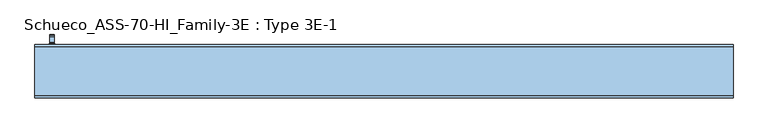
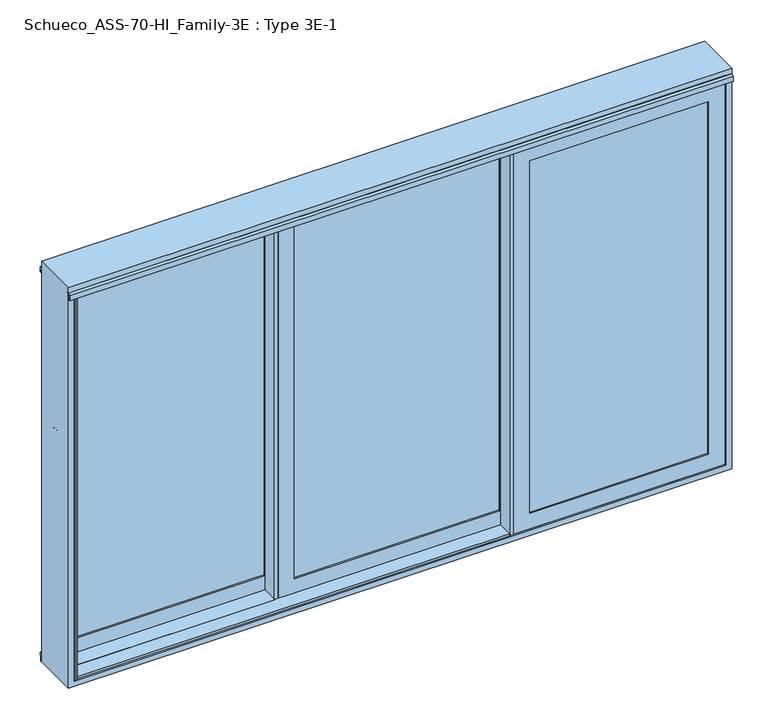
"""IFC4 building model written with IfcOpenShell, lengths in millimetres: window geometry, Schueco_ASS-70-HI_Family-3E : Type 3E-1."""

from ifc_helpers import new_model, si_unit, point, frame, frame_2d, origin, place, context, project, spatial, polyline, circle_curve, trimmed, segment, composite_curve, outline, extrude, faceted_brep, source, transform, mapped, element, save
from ifc_brep_helpers import plane_surface, cylinder_surface, revolved_surface, advanced_brep


def schueco_ass_70_hi_family_3e_type_3e_1_c6fbaf35(model_context):
    return source(origin(), model_context, "Body", "SolidModel", [
        extrude(outline(polyline([(-626.3349264, -60.0296761), (-626.3349264, 24.1825054), (-572.3333333, 24.1825054), (-572.3333333, 9.9601155), (-622.5348614, 9.9601155), (-622.5348614, -54.5297093), (-606.3349569, -54.5297093), (-606.3349569, -60.0296761), (-626.3349264, -60.0296761)])), frame((0.0, 0.0, -6.9999052), z_axis=(0.0, 0.0, 1.0), x_axis=(1.0, 0.0, 0.0)), (0.0, 0.0, 1.0), 2187.9998104),
        extrude(outline(polyline([(2114.8998417, 613.233175), (2114.8998417, -540.233175), (59.1001583, -540.233175), (59.1001583, 613.233175), (2114.8998417, 613.233175)]), holes=[polyline([(2092.899857, -518.2331903), (2092.899857, 591.2331903), (81.100143, 591.2331903), (81.100143, -518.2331903), (2092.899857, -518.2331903)])]), frame((0.0, -25.0621681, 0.0), z_axis=(0.0, 1.0, 0.0), x_axis=(0.0, 0.0, 1.0)), (0.0, 0.0, 1.0), 35.0222836),
        extrude(outline(polyline([(605.2349016, -25.0621681), (605.2349016, -51.0520123), (-532.2349016, -51.0520123), (-532.2349016, -25.0621681), (605.2349016, -25.0621681)])), frame((0.0, 0.0, 67.0984318), z_axis=(0.0, 0.0, 1.0), x_axis=(1.0, 0.0, 0.0)), (0.0, 0.0, 1.0), 2039.8031365),
        extrude(outline(polyline([(699.3349264, 9.9601155), (699.3349264, -74.2520661), (645.3333333, -74.2520661), (645.3333333, -60.0296761), (695.5348614, -60.0296761), (695.5348614, 4.4601487), (679.3349569, 4.4601487), (679.3349569, 9.9601155), (699.3349264, 9.9601155)])), frame((0.0, 0.0, -6.9999052), z_axis=(0.0, 0.0, 1.0), x_axis=(1.0, 0.0, 0.0)), (0.0, 0.0, 1.0), 2187.9998104),
        faceted_brep([(-606.3349569, -54.5297093, 2181.0016236), (-606.3349569, -54.5297093, -7.0016236), (-606.3349569, -60.0296761, -7.0016236), (-606.3349569, -60.0296761, 2181.0016236), (679.3349569, -60.0296761, 2181.0016236), (679.3349569, -60.0296761, -7.0016236), (-518.3349569, -60.0296761, 2093.0016236), (591.3349569, -60.0296761, 2093.0016236), (591.3349569, -60.0296761, 80.9983764), (-518.3349569, -60.0296761, 80.9983764), (679.3349569, -54.5297093, -7.0016236), (679.3349569, -54.5297093, 2181.0016236), (649.3332385, -54.5297093, 2150.9999052), (-576.3332385, -54.5297093, 2150.9999052), (-576.3332385, -54.5297093, 23.0000948), (649.3332385, -54.5297093, 23.0000948), (-576.3332385, 4.4601155, 2150.9999052), (-576.3332385, 4.4601155, 23.0000948), (649.3332385, 4.4601155, 23.0000948), (679.3332385, 4.4601155, 2180.9999052), (-606.3332385, 4.4601155, 2180.9999052), (-606.3332385, 4.4601155, -6.9999052), (679.3332385, 4.4601155, -6.9999052), (649.3332385, 4.4601155, 2150.9999052), (-606.3332385, 9.9601155, 2180.9999052), (-606.3332385, 9.9601155, -6.9999052), (679.3332385, 9.9601155, -6.9999052), (679.3332385, 9.9601155, 2180.9999052), (613.233175, 9.9601155, 2114.8998417), (-540.233175, 9.9601155, 2114.8998417), (-540.233175, 9.9601155, 59.1001583), (613.233175, 9.9601155, 59.1001583), (-532.2349016, -51.0520123, 2106.9015682), (-532.2349016, -51.0520123, 67.0984318), (-532.2349016, -25.0520123, 67.0984318), (-532.2349016, -25.0520123, 2106.9015682), (-540.233175, -25.0520123, 2114.8998417), (613.233175, -25.0520123, 2114.8998417), (613.233175, -25.0520123, 59.1001583), (-540.233175, -25.0520123, 59.1001583), (605.2349016, -25.0520123, 2106.9015682), (605.2349016, -25.0520123, 67.0984318), (605.2349016, -51.0520123, 67.0984318), (605.2349016, -51.0520123, 2106.9015682), (591.3349569, -51.0520123, 2093.0016236), (-518.3349569, -51.0520123, 2093.0016236), (-518.3349569, -51.0520123, 80.9983764), (591.3349569, -51.0520123, 80.9983764)], [[[0, 1, 2, 3]], [[4, 3, 2, 5], [6, 7, 8, 9]], [[1, 10, 5, 2]], [[0, 11, 10, 1], [12, 13, 14, 15]], [[16, 17, 14, 13]], [[17, 18, 15, 14]], [[19, 20, 21, 22], [16, 23, 18, 17]], [[24, 25, 21, 20]], [[25, 26, 22, 21]], [[24, 27, 26, 25], [28, 29, 30, 31]], [[32, 33, 34, 35]], [[36, 37, 38, 39], [40, 35, 34, 41]], [[33, 42, 41, 34]], [[32, 43, 42, 33], [44, 45, 46, 47]], [[6, 9, 46, 45]], [[9, 8, 47, 46]], [[10, 11, 4, 5]], [[18, 23, 12, 15]], [[26, 27, 19, 22]], [[42, 43, 40, 41]], [[8, 7, 44, 47]], [[38, 37, 28, 31]], [[39, 38, 31, 30]], [[36, 39, 30, 29]], [[11, 0, 3, 4]], [[23, 16, 13, 12]], [[27, 24, 20, 19]], [[43, 32, 35, 40]], [[7, 6, 45, 44]], [[37, 36, 29, 28]]]),
        extrude(outline(polyline([(611.3317097, -144.5402842), (611.3317097, -150.040251), (591.3317402, -150.040251), (591.3317402, -65.8280694), (645.3333333, -65.8280694), (645.3333333, -80.0504594), (595.1318053, -80.0504594), (595.1318053, -144.5402842), (611.3317097, -144.5402842)])), frame((0.0, 0.0, -6.9999052), z_axis=(0.0, 0.0, 1.0), x_axis=(1.0, 0.0, 0.0)), (0.0, 0.0, 1.0), 2187.9998104),
        extrude(outline(polyline([(2114.8998417, 677.4334916), (59.1001583, 677.4334916), (59.1001583, 1684.8998417), (2114.8998417, 1684.8998417), (2114.8998417, 677.4334916)]), holes=[polyline([(2092.899857, 1662.899857), (81.100143, 1662.899857), (81.100143, 699.4334764), (2092.899857, 699.4334764), (2092.899857, 1662.899857)])]), frame((0.0, -115.0727098, 0.0), z_axis=(0.0, 1.0, 0.0), x_axis=(0.0, 0.0, 1.0)), (0.0, 0.0, 1.0), 35.0222836),
        extrude(outline(polyline([(685.4317651, -115.0727098), (1676.9015682, -115.0727098), (1676.9015682, -141.062554), (685.4317651, -141.062554), (685.4317651, -115.0727098)])), frame((0.0, 0.0, 67.0984318), z_axis=(0.0, 0.0, 1.0), x_axis=(1.0, 0.0, 0.0)), (0.0, 0.0, 1.0), 2039.8031365),
        faceted_brep([(1751.0016236, -144.540251, 2181.0016236), (1751.0016236, -150.0402178, 2181.0016236), (1751.0016236, -150.0402178, -7.0016236), (1751.0016236, -144.540251, -7.0016236), (611.3317097, -150.0402178, 2181.0016236), (611.3317097, -150.0402178, -7.0016236), (1663.0016236, -150.0402178, 2093.0016236), (1663.0016236, -150.0402178, 80.9983764), (699.3317097, -150.0402178, 80.9983764), (699.3317097, -150.0402178, 2093.0016236), (611.3317097, -144.540251, -7.0016236), (611.3317097, -144.540251, 2181.0016236), (641.3334281, -144.540251, 2150.9999052), (641.3334281, -144.540251, 23.0000948), (1720.9999052, -144.540251, 23.0000948), (1720.9999052, -144.540251, 2150.9999052), (1720.9999052, -85.5504262, 2150.9999052), (1720.9999052, -85.5504262, 23.0000948), (641.3334281, -85.5504262, 23.0000948), (611.3334281, -85.5504262, 2180.9999052), (611.3334281, -85.5504262, -6.9999052), (1750.9999052, -85.5504262, -6.9999052), (1750.9999052, -85.5504262, 2180.9999052), (641.3334281, -85.5504262, 2150.9999052), (1750.9999052, -80.0504262, 2180.9999052), (1750.9999052, -80.0504262, -6.9999052), (611.3334281, -80.0504262, -6.9999052), (611.3334281, -80.0504262, 2180.9999052), (677.4334916, -80.0504262, 2114.8998417), (677.4334916, -80.0504262, 59.1001583), (1684.8998417, -80.0504262, 59.1001583), (1684.8998417, -80.0504262, 2114.8998417), (1676.9015682, -141.062554, 2106.9015682), (1676.9015682, -115.062554, 2106.9015682), (1676.9015682, -115.062554, 67.0984318), (1676.9015682, -141.062554, 67.0984318), (1684.8998417, -115.062554, 2114.8998417), (1684.8998417, -115.062554, 59.1001583), (677.4334916, -115.062554, 59.1001583), (677.4334916, -115.062554, 2114.8998417), (685.4317651, -115.062554, 2106.9015682), (685.4317651, -115.062554, 67.0984318), (685.4317651, -141.062554, 67.0984318), (685.4317651, -141.062554, 2106.9015682), (699.3317097, -141.062554, 2093.0016236), (699.3317097, -141.062554, 80.9983764), (1663.0016236, -141.062554, 80.9983764), (1663.0016236, -141.062554, 2093.0016236)], [[[0, 1, 2, 3]], [[4, 5, 2, 1], [6, 7, 8, 9]], [[3, 2, 5, 10]], [[0, 3, 10, 11], [12, 13, 14, 15]], [[16, 15, 14, 17]], [[17, 14, 13, 18]], [[19, 20, 21, 22], [16, 17, 18, 23]], [[24, 22, 21, 25]], [[25, 21, 20, 26]], [[24, 25, 26, 27], [28, 29, 30, 31]], [[32, 33, 34, 35]], [[36, 37, 38, 39], [40, 41, 34, 33]], [[35, 34, 41, 42]], [[32, 35, 42, 43], [44, 45, 46, 47]], [[6, 47, 46, 7]], [[7, 46, 45, 8]], [[10, 5, 4, 11]], [[18, 13, 12, 23]], [[26, 20, 19, 27]], [[42, 41, 40, 43]], [[8, 45, 44, 9]], [[38, 29, 28, 39]], [[37, 30, 29, 38]], [[36, 31, 30, 37]], [[11, 4, 1, 0]], [[23, 12, 15, 16]], [[27, 19, 22, 24]], [[43, 40, 33, 32]], [[9, 44, 47, 6]], [[39, 28, 31, 36]]]),
        advanced_brep(
        [(-1714.9498734, 161.9999695, 1004.0), (-1714.9498734, 161.9999695, 1229.2360009), (-1690.9498734, 161.9999695, 1229.2360009), (-1690.9498734, 161.9999695, 1004.0), (-1714.9498734, 113.9999695, 1004.005052), (-1690.9498734, 113.9999695, 1004.005052), (-1690.9498734, 149.9999695, 1004.005052), (-1714.9498734, 149.9999695, 1004.005052), (-1690.9498734, 161.414183, 1230.6502145), (-1690.9498734, 150.6501229, 1241.4142746), (-1690.9498734, 149.2359094, 1242.000061), (-1690.9498734, 121.9999695, 1242.000061), (-1690.9498734, 119.9999695, 1240.000061), (-1690.9498734, 119.9999695, 1229.000061), (-1690.9498734, 121.9999695, 1227.000061), (-1690.9498734, 142.6493095, 1227.000061), (-1690.9498734, 149.9999695, 1219.6494011), (-1714.9498734, 149.9999695, 1219.6494011), (-1714.9498734, 142.6493095, 1227.000061), (-1714.9498734, 121.9999695, 1227.000061), (-1714.9498734, 119.9999695, 1229.000061), (-1714.9498734, 119.9999695, 1240.000061), (-1714.9498734, 121.9999695, 1242.000061), (-1714.9498734, 149.2359094, 1242.000061), (-1714.9498734, 150.6501229, 1241.4142746), (-1714.9498734, 161.414183, 1230.6502145)],
        [
            (0, 1),
            (1, 2),
            (2, 3),
            (3, 0, circle_curve(frame((-1702.9498734, 161.9999695, 1004.005052), z_axis=(0.0, 1.0, 0.0), x_axis=(1.0, 0.0, 0.0)), 12.0)),
            (4, 5, circle_curve(frame((-1702.9498734, 113.9999695, 1004.005052), z_axis=(0.0, -1.0, 0.0), x_axis=(1.0, 0.0, 0.0)), 12.0)),
            (5, 4, circle_curve(frame((-1702.9498734, 113.9999695, 1004.005052), z_axis=(0.0, -1.0, 0.0), x_axis=(1.0, 0.0, 0.0)), 12.0)),
            (3, 6),
            (6, 5),
            (4, 7),
            (7, 0),
            (6, 7, circle_curve(frame((-1702.9498734, 149.9999695, 1004.005052), z_axis=(0.0, -1.0, 0.0), x_axis=(1.0, 0.0, 0.0)), 12.0)),
            (2, 8, circle_curve(frame((-1690.9498734, 159.9999695, 1229.2360009), z_axis=(1.0, 0.0, 0.0), x_axis=(0.0, 0.0, -1.0)), 2.0)),
            (8, 9),
            (9, 10, circle_curve(frame((-1690.9498734, 149.2359094, 1240.000061), z_axis=(1.0, 0.0, 0.0), x_axis=(0.0, 0.0, -1.0)), 2.0)),
            (10, 11),
            (11, 12, circle_curve(frame((-1690.9498734, 121.9999695, 1240.000061), z_axis=(1.0, 0.0, 0.0), x_axis=(0.0, 0.0, -1.0)), 2.0)),
            (12, 13),
            (13, 14, circle_curve(frame((-1690.9498734, 121.9999695, 1229.000061), z_axis=(1.0, 0.0, 0.0), x_axis=(0.0, 0.0, -1.0)), 2.0)),
            (14, 15),
            (15, 16, circle_curve(frame((-1690.9498734, 142.6493095, 1219.6494011), z_axis=(-1.0, 0.0, 0.0), x_axis=(0.0, 0.0, -1.0)), 7.35066)),
            (16, 6),
            (7, 17),
            (17, 18, circle_curve(frame((-1714.9498734, 142.6493095, 1219.6494011), z_axis=(1.0, 0.0, 0.0), x_axis=(0.0, 0.0, -1.0)), 7.35066)),
            (18, 19),
            (19, 20, circle_curve(frame((-1714.9498734, 121.9999695, 1229.000061), z_axis=(-1.0, 0.0, 0.0), x_axis=(0.0, 0.0, -1.0)), 2.0)),
            (20, 21),
            (21, 22, circle_curve(frame((-1714.9498734, 121.9999695, 1240.000061), z_axis=(-1.0, 0.0, 0.0), x_axis=(0.0, 0.0, -1.0)), 2.0)),
            (22, 23),
            (23, 24, circle_curve(frame((-1714.9498734, 149.2359094, 1240.000061), z_axis=(-1.0, 0.0, 0.0), x_axis=(0.0, 0.0, -1.0)), 2.0)),
            (24, 25),
            (25, 1, circle_curve(frame((-1714.9498734, 159.9999695, 1229.2360009), z_axis=(-1.0, 0.0, 0.0), x_axis=(0.0, 0.0, -1.0)), 2.0)),
            (16, 17),
            (15, 18),
            (14, 19),
            (13, 20),
            (12, 21),
            (11, 22),
            (10, 23),
            (9, 24),
            (8, 25),
        ],
        [
            plane_surface(frame((-1690.9498734, 161.9999695, 1004.005052), z_axis=(0.0, 1.0, 0.0), x_axis=(0.0, 0.0, 1.0))),
            plane_surface(frame((-1690.9498734, 113.9999695, 1004.005052), z_axis=(0.0, -1.0, 0.0), x_axis=(0.0, 0.0, -1.0))),
            cylinder_surface(frame((-1702.9498734, 113.9999695, 1004.005052), z_axis=(0.0, 1.0, 0.0), x_axis=(1.0, 0.0, 0.0)), 12.0),
            plane_surface(frame((-1690.9498734, 161.9999695, 1009.7503433), z_axis=(1.0, 0.0, 0.0), x_axis=(0.0, 0.0, -1.0))),
            plane_surface(frame((-1714.9498734, 161.9999695, 1009.7503433), z_axis=(-1.0, 0.0, 0.0), x_axis=(0.0, 0.0, 1.0))),
            plane_surface(frame((-1690.9498734, 149.9999695, 1004.0), z_axis=(0.0, -1.0, 0.0), x_axis=(-1.0, 0.0, 0.0))),
            revolved_surface(polyline([(-1714.9498734, 142.6493095, 1212.2987411), (-1690.9498734, 142.6493095, 1212.2987411)]), (-1714.9498734, 142.6493095, 1219.6494011), (-1.0, 0.0, 0.0)),
            plane_surface(frame((-1690.9498734, 142.6493095, 1227.000061), z_axis=(0.0, 0.0, -1.0), x_axis=(-1.0, 0.0, 0.0))),
            cylinder_surface(frame((-1714.9498734, 121.9999695, 1229.000061), z_axis=(1.0, 0.0, 0.0), x_axis=(0.0, 0.0, -1.0)), 2.0),
            plane_surface(frame((-1690.9498734, 119.9999695, 1229.000061), z_axis=(0.0, -1.0, 0.0), x_axis=(-1.0, 0.0, 0.0))),
            cylinder_surface(frame((-1714.9498734, 121.9999695, 1240.000061), z_axis=(1.0, 0.0, 0.0), x_axis=(0.0, 0.0, -1.0)), 2.0),
            plane_surface(frame((-1690.9498734, 121.9999695, 1242.000061), z_axis=(0.0, 0.0, 1.0), x_axis=(-1.0, 0.0, 0.0))),
            cylinder_surface(frame((-1714.9498734, 149.2359094, 1240.000061), z_axis=(1.0, 0.0, 0.0), x_axis=(0.0, 0.0, -1.0)), 2.0),
            plane_surface(frame((-1690.9498734, 150.6501229, 1241.4142746), z_axis=(0.0, 0.7071067811865422, 0.7071067811865528), x_axis=(-1.0, 0.0, 0.0))),
            cylinder_surface(frame((-1714.9498734, 159.9999695, 1229.2360009), z_axis=(1.0, 0.0, 0.0), x_axis=(0.0, 0.0, -1.0)), 2.0),
        ],
        [
            (0, [[1, 2, 3, 4]]),
            (1, [[5, 6]]),
            (2, [[7, 8, -5, 9, 10, -4]]),
            (2, [[-8, 11, -9, -6]]),
            (3, [[12, 13, 14, 15, 16, 17, 18, 19, 20, 21, -7, -3]]),
            (4, [[-1, -10, 22, 23, 24, 25, 26, 27, 28, 29, 30, 31]]),
            (5, [[32, -22, -11, -21]]),
            (6, [[33, -23, -32, -20]]),
            (7, [[34, -24, -33, -19]]),
            (8, [[35, -25, -34, -18]]),
            (9, [[36, -26, -35, -17]]),
            (10, [[37, -27, -36, -16]]),
            (11, [[38, -28, -37, -15]]),
            (12, [[39, -29, -38, -14]]),
            (13, [[40, -30, -39, -13]]),
            (14, [[-2, -31, -40, -12]]),
        ],
    ),
        extrude(outline(composite_curve([segment(trimmed(circle_curve(frame_2d((922.2823932, -1702.9498734)), 16.75), [point((922.2823932, -1719.6998734))], [point((922.2823932, -1686.1998734))], False, "CARTESIAN"), True, "CONTINUOUS"), segment(polyline([(922.2823932, -1686.1998734), (1049.0099288, -1686.1998734)]), True, "CONTINUOUS"), segment(trimmed(circle_curve(frame_2d((1049.0099288, -1702.9498734)), 16.75), [point((1049.0099288, -1686.1998734))], [point((1049.0099288, -1719.6998734))], False, "CARTESIAN"), True, "CONTINUOUS"), segment(polyline([(1049.0099288, -1719.6998734), (922.2823932, -1719.6998734)]), True, "CONTINUOUS")], self_intersect=False)), frame((0.0, 100.0, 0.0), z_axis=(0.0, 1.0, 0.0), x_axis=(0.0, 0.0, 1.0)), (0.0, 0.0, 1.0), 13.9999695),
        extrude(outline(polyline([(2114.8998417, -604.4334916), (2114.8998417, -1684.8998417), (59.1001583, -1684.8998417), (59.1001583, -604.4334916), (2114.8998417, -604.4334916)]), holes=[polyline([(2092.899857, -1662.899857), (2092.899857, -626.4334764), (81.100143, -626.4334764), (81.100143, -1662.899857), (2092.899857, -1662.899857)])]), frame((0.0, 65.0000135, 0.0), z_axis=(0.0, 1.0, 0.0), x_axis=(0.0, 0.0, 1.0)), (0.0, 0.0, 1.0), 35.0222836),
        extrude(outline(polyline([(-612.4317651, 65.0000135), (-612.4317651, 39.0101693), (-1676.9015682, 39.0101693), (-1676.9015682, 65.0000135), (-612.4317651, 65.0000135)])), frame((0.0, 0.0, 67.0984318), z_axis=(0.0, 0.0, 1.0), x_axis=(1.0, 0.0, 0.0)), (0.0, 0.0, 1.0), 2039.8031365),
        extrude(outline(polyline([(-518.3317402, 100.0222971), (-518.3317402, 15.8101155), (-572.3333333, 15.8101155), (-572.3333333, 30.0325054), (-522.1318053, 30.0325054), (-522.1318053, 94.5223302), (-538.3317097, 94.5223302), (-538.3317097, 100.0222971), (-518.3317402, 100.0222971)])), frame((0.0, 0.0, -6.9999052), z_axis=(0.0, 0.0, 1.0), x_axis=(1.0, 0.0, 0.0)), (0.0, 0.0, 1.0), 2187.9998104),
        faceted_brep([(-1751.0016236, 35.5324723, 2181.0016236), (-1751.0016236, 35.5324723, -7.0016236), (-1751.0016236, 30.0325054, -7.0016236), (-1751.0016236, 30.0325054, 2181.0016236), (-538.3317097, 30.0325054, 2181.0016236), (-538.3317097, 30.0325054, -7.0016236), (-1663.0016236, 30.0325054, 2093.0016236), (-626.3317097, 30.0325054, 2093.0016236), (-626.3317097, 30.0325054, 80.9983764), (-1663.0016236, 30.0325054, 80.9983764), (-538.3317097, 35.5324723, -7.0016236), (-538.3317097, 35.5324723, 2181.0016236), (-568.3334281, 35.5324723, 2150.9999052), (-1720.9999052, 35.5324723, 2150.9999052), (-1720.9999052, 35.5324723, 23.0000948), (-568.3334281, 35.5324723, 23.0000948), (-1720.9999052, 94.5222971, 2150.9999052), (-1720.9999052, 94.5222971, 23.0000948), (-568.3334281, 94.5222971, 23.0000948), (-538.3334281, 94.5222971, 2180.9999052), (-1750.9999052, 94.5222971, 2180.9999052), (-1750.9999052, 94.5222971, -6.9999052), (-538.3334281, 94.5222971, -6.9999052), (-568.3334281, 94.5222971, 2150.9999052), (-1750.9999052, 100.0222971, 2180.9999052), (-1750.9999052, 100.0222971, -6.9999052), (-538.3334281, 100.0222971, -6.9999052), (-538.3334281, 100.0222971, 2180.9999052), (-604.4334916, 100.0222971, 2114.8998417), (-1684.8998417, 100.0222971, 2114.8998417), (-1684.8998417, 100.0222971, 59.1001583), (-604.4334916, 100.0222971, 59.1001583), (-1676.9015682, 39.0101693, 2106.9015682), (-1676.9015682, 39.0101693, 67.0984318), (-1676.9015682, 65.0101693, 67.0984318), (-1676.9015682, 65.0101693, 2106.9015682), (-1684.8998417, 65.0101693, 2114.8998417), (-604.4334916, 65.0101693, 2114.8998417), (-604.4334916, 65.0101693, 59.1001583), (-1684.8998417, 65.0101693, 59.1001583), (-612.4317651, 65.0101693, 2106.9015682), (-612.4317651, 65.0101693, 67.0984318), (-612.4317651, 39.0101693, 67.0984318), (-612.4317651, 39.0101693, 2106.9015682), (-626.3317097, 39.0101693, 2093.0016236), (-1663.0016236, 39.0101693, 2093.0016236), (-1663.0016236, 39.0101693, 80.9983764), (-626.3317097, 39.0101693, 80.9983764)], [[[0, 1, 2, 3]], [[4, 3, 2, 5], [6, 7, 8, 9]], [[1, 10, 5, 2]], [[0, 11, 10, 1], [12, 13, 14, 15]], [[16, 17, 14, 13]], [[17, 18, 15, 14]], [[19, 20, 21, 22], [16, 23, 18, 17]], [[24, 25, 21, 20]], [[25, 26, 22, 21]], [[24, 27, 26, 25], [28, 29, 30, 31]], [[32, 33, 34, 35]], [[36, 37, 38, 39], [40, 35, 34, 41]], [[33, 42, 41, 34]], [[32, 43, 42, 33], [44, 45, 46, 47]], [[6, 9, 46, 45]], [[9, 8, 47, 46]], [[10, 11, 4, 5]], [[18, 23, 12, 15]], [[26, 27, 19, 22]], [[42, 43, 40, 41]], [[8, 7, 44, 47]], [[38, 37, 28, 31]], [[39, 38, 31, 30]], [[36, 39, 30, 29]], [[11, 0, 3, 4]], [[23, 16, 13, 12]], [[27, 24, 20, 19]], [[43, 32, 35, 40]], [[7, 6, 45, 44]], [[37, 36, 29, 28]]]),
        extrude(outline(polyline([(-1743.0, -65.7689734), (-1743.0, -60.040251), (-1759.0321213, -60.040251), (-1759.0321213, -51.240251), (-1743.0, -51.240251), (-1743.0, 15.7698645), (-1759.0321213, 15.7698645), (-1759.0321213, 24.2310266), (-1741.0160727, 24.2310266), (-1741.0160727, -65.7689734), (-1743.0, -65.7689734)])), frame((0.0, 0.0, -15.0), z_axis=(0.0, 0.0, 1.0), x_axis=(1.0, 0.0, 0.0)), (0.0, 0.0, 1.0), 2188.0000489),
        extrude(outline(polyline([(-1741.0160727, -150.040251), (-1750.9999052, -150.040251), (-1750.9999052, -141.240251), (-1743.0, -141.240251), (-1743.0, -74.2301355), (-1759.0321213, -74.2301355), (-1759.0321213, -65.7689734), (-1741.0160727, -65.7689734), (-1741.0160727, -150.040251)])), frame((0.0, 0.0, -15.0), z_axis=(0.0, 0.0, 1.0), x_axis=(1.0, 0.0, 0.0)), (0.0, 0.0, 1.0), 2188.0000489),
        extrude(outline(polyline([(1750.9999878, 100.0), (1750.9999878, 91.2), (1743.0000826, 91.2), (1743.0000826, 24.1898845), (1759.0322039, 24.1898845), (1759.0322039, 15.7287224), (1741.0161552, 15.7287224), (1741.0161552, 100.0), (1750.9999878, 100.0)])), frame((0.0, 0.0, -14.9999878), z_axis=(0.0, 0.0, 1.0), x_axis=(1.0, 0.0, 0.0)), (0.0, 0.0, 1.0), 2188.0000367),
        extrude(outline(polyline([(1750.9999878, 9.9842829), (1750.9999878, 1.1842829), (1743.0000826, 1.1842829), (1743.0000826, -65.8258325), (1759.0322039, -65.8258325), (1759.0322039, -74.2869947), (1741.0161552, -74.2869947), (1741.0161552, 9.9842829), (1750.9999878, 9.9842829)])), frame((0.0, 0.0, -14.9999878), z_axis=(0.0, 0.0, 1.0), x_axis=(1.0, 0.0, 0.0)), (0.0, 0.0, 1.0), 2188.0000367),
        faceted_brep([(-626.3333333, -65.7689734, 1.0), (-626.3333333, -60.040251, 1.0), (-626.3333333, -60.040251, -15.0321213), (-626.3333333, -51.240251, -15.0321213), (-626.3333333, -51.240251, 1.0), (-626.3333333, 15.7698645, 1.0), (-626.3333333, 15.7698645, -15.0321213), (-626.3333333, 24.2310266, -15.0321213), (-626.3333333, 24.2310266, 2.9839273), (-626.3333333, -65.7689734, 2.9839273), (-1743.0, -65.7689734, 1.0), (-1743.0, -60.040251, 1.0), (-1743.0, -60.040251, 2173.0000489), (-1759.0321213, -60.040251, 2173.0000489), (-1759.0321213, -60.040251, -15.0321213), (-1759.0321213, -51.240251, -15.0321213), (-1759.0321213, -51.240251, 2173.0000489), (-1743.0, -51.240251, 2173.0000489), (-1743.0, -51.240251, 1.0), (-1743.0, 15.7698645, 1.0), (-1743.0, 15.7698645, 2173.0000489), (-1759.0321213, 15.7698645, 2173.0000489), (-1759.0321213, 15.7698645, -15.0321213), (-1759.0321213, 24.2310266, -15.0321213), (-1759.0321213, 24.2310266, 2173.0000489), (-1741.0160727, 24.2310266, 2173.0000489), (-1741.0160727, 24.2310266, 2.9839273), (-1741.0160727, -65.7689734, 2.9839273), (-1741.0160727, -65.7689734, 2173.0000489), (-1743.0, -65.7689734, 2173.0000489)], [[[0, 1, 2, 3, 4, 5, 6, 7, 8, 9]], [[10, 11, 1, 0]], [[12, 13, 14, 2, 1, 11]], [[14, 15, 3, 2]], [[16, 17, 18, 4, 3, 15]], [[18, 19, 5, 4]], [[20, 21, 22, 6, 5, 19]], [[22, 23, 7, 6]], [[24, 25, 26, 8, 7, 23]], [[26, 27, 9, 8]], [[28, 29, 10, 0, 9, 27]], [[29, 12, 11, 10]], [[25, 28, 27, 26]], [[21, 24, 23, 22]], [[17, 20, 19, 18]], [[13, 16, 15, 14]], [[29, 28, 25, 24, 21, 20, 17, 16, 13, 12]]]),
        faceted_brep([(591.3333333, -150.040251, 2.9839273), (591.3333333, -150.040251, -6.9999052), (591.3333333, -141.240251, -6.9999052), (591.3333333, -141.240251, 1.0), (591.3333333, -74.2301355, 1.0), (591.3333333, -74.2301355, -15.0321213), (591.3333333, -65.7689734, -15.0321213), (591.3333333, -65.7689734, 2.9839273), (-1741.0160727, -150.040251, 2173.0000489), (-1750.9999052, -150.040251, 2173.0000489), (-1750.9999052, -150.040251, -6.9999052), (-1741.0160727, -150.040251, 2.9839273), (-1750.9999052, -141.240251, -6.9999052), (-1750.9999052, -141.240251, 2173.0000489), (-1743.0, -141.240251, 2173.0000489), (-1743.0, -141.240251, 1.0), (-1743.0, -74.2301355, 1.0), (-1743.0, -74.2301355, 2173.0000489), (-1759.0321213, -74.2301355, 2173.0000489), (-1759.0321213, -74.2301355, -15.0321213), (-1759.0321213, -65.7689734, -15.0321213), (-1759.0321213, -65.7689734, 2173.0000489), (-1741.0160727, -65.7689734, 2173.0000489), (-1741.0160727, -65.7689734, 2.9839273)], [[[0, 1, 2, 3, 4, 5, 6, 7]], [[8, 9, 10, 1, 0, 11]], [[10, 12, 2, 1]], [[13, 14, 15, 3, 2, 12]], [[15, 16, 4, 3]], [[17, 18, 19, 5, 4, 16]], [[19, 20, 6, 5]], [[21, 22, 23, 7, 6, 20]], [[23, 11, 0, 7]], [[22, 8, 11, 23]], [[18, 21, 20, 19]], [[14, 17, 16, 15]], [[9, 13, 12, 10]], [[8, 22, 21, 18, 17, 14, 13, 9]]]),
        faceted_brep([(-1790.0, -150.0201301, 2240.0), (-1790.0, 100.0, 2240.0), (-1790.0, 100.0, -46.0), (-1790.0, -150.0402178, -46.0), (1790.0, 100.0, 2240.0), (1790.0, 100.0, -46.0), (1758.9999878, 100.0, 2209.0000341), (-1758.9999878, 100.0, 2209.0000341), (-1758.9999878, 100.0, -14.9999878), (1758.9999878, 100.0, -14.9999878), (1790.0, -150.0402178, -46.0), (1790.0, -150.0201301, 2240.0), (-1759.0, -150.0201301, 2209.0000341), (1759.0, -150.0201301, 2209.0000341), (1759.0, -150.0201301, -15.0), (-1759.0, -150.0201301, -15.0), (-1758.9999878, 91.2, -14.9999878), (-1758.9999878, 91.2, 2209.0000341), (1758.9999878, 91.2, -14.9999878), (1758.9999878, 91.2, 2209.0000341), (-1743.0, -48.300567, 1.0), (-1743.0, -1.6994085, 1.0), (-1743.0, -1.6994085, 2173.0000489), (-1743.0, -48.300567, 2173.0000489), (-1743.0, -48.300567, 2205.1913198), (-1743.0, -48.300567, 2180.9293941), (-1743.0, -44.9837976, 2184.2461635), (-1743.0, -44.9837976, 2205.1913198), (-1743.0, -1.6994085, 2180.4194362), (-1743.0, -1.6994085, 2205.1913198), (-1743.0, -5.9362468, 2205.1913198), (-1743.0, -5.9362468, 2184.6562744), (1743.0, -48.300567, 1.0), (1743.0, -1.6994085, 1.0), (-1750.9661267, -51.2, -6.9661267), (1750.9661267, -51.2, -6.9661267), (1743.0, -48.300567, 2173.0000489), (1743.0, -1.6994085, 2173.0000489), (1743.0, -48.300567, 2180.9293941), (1743.0, -48.300567, 2205.1913198), (1743.0, -44.9837976, 2205.1913198), (1743.0, -44.9837976, 2184.2461635), (1743.0, -1.6994085, 2205.1913198), (1743.0, -1.6994085, 2180.4194362), (1743.0, -5.9362468, 2184.6562744), (1743.0, -5.9362468, 2205.1913198), (1750.9661267, 1.2000245, -6.9661267), (-1750.9661267, 1.2000245, -6.9661267), (-1759.0, -88.7999755, -15.0), (-1759.0, -51.2, -15.0), (-1759.0, -51.2, 2205.1913198), (-1759.0, -88.7999755, 2205.1913198), (1759.0, -88.7999755, -15.0), (1759.0, -51.2, -15.0), (-1750.9661267, -88.7999755, 2205.1913198), (-1750.9661267, -88.7999755, -6.9661267), (1750.9661267, -88.7999755, -6.9661267), (1750.9661267, -88.7999755, 2205.1913198), (1759.0, -88.7999755, 2205.1913198), (1759.0, -51.2, 2205.1913198), (1750.9661267, -51.2, 2205.1913198), (-1750.9661267, -51.2, 2205.1913198), (-1747.6139633, -49.9799122, 2173.0000489), (-1747.6139633, -49.9799122, 2179.2500488), (1747.6139633, -49.9799122, 2179.2500488), (1747.6139633, -49.9799122, 2173.0000489), (1746.3502391, -0.4800212, 2173.0000489), (1746.3502391, -0.4800212, 2179.2000488), (1750.9661267, 1.2000245, 2205.1913198), (1759.0321213, 1.2000245, 2205.1913198), (1759.0321213, 1.2000245, -15.0321213), (-1759.0321213, 1.2000245, -15.0321213), (-1759.0321213, 1.2000245, 2205.1913198), (-1750.9661267, 1.2000245, 2205.1913198), (-1746.3502391, -0.4800212, 2179.2000488), (-1746.3502391, -0.4800212, 2173.0000489), (-1759.0321213, 38.8, -15.0321213), (-1759.0321213, 38.8, 2205.1913198), (1759.0321213, 38.8, -15.0321213), (1759.0321213, 38.8, 2205.1913198), (1750.9661267, 38.8, 2205.1913198), (1750.9661267, 38.8, -6.9661267), (-1750.9661267, 38.8, -6.9661267), (-1750.9661267, 38.8, 2205.1913198), (-1743.0, 41.699433, 1.0), (-1743.0, 41.699433, 2173.0000489), (-1746.2951159, 40.5001089, 2173.0000489), (-1746.2951159, 40.5001089, 2179.2000488), (-1743.0, 41.699433, 2180.3993729), (-1743.0, 41.699433, 2205.1913198), (1743.0, 41.699433, 1.0), (1743.0, 41.699433, 2205.1913198), (1743.0, 41.699433, 2180.3993729), (1746.2951159, 40.5001089, 2179.2000488), (1746.2951159, 40.5001089, 2173.0000489), (1743.0, 41.699433, 2173.0000489), (1743.0, 88.2882426, 1.0), (-1743.0, 88.2882426, 1.0), (-1750.9999878, 91.2, 2209.0000341), (-1750.9999878, 91.2, -6.9999878), (1750.9999878, 91.2, -6.9999878), (1750.9999878, 91.2, 2209.0000341), (1743.0, 88.2882426, 2173.0000489), (1743.0, 45.9563345, 2205.1913198), (1743.0, 45.9563345, 2184.6562744), (1743.0, 88.2882426, 2193.0), (1743.0, 88.2882426, 2180.9618063), (1743.0, 85.0038854, 2184.2461635), (1743.0, 85.0038854, 2193.0), (-1743.0, 88.2882426, 2173.0000489), (-1743.0, 45.9563345, 2184.6562744), (-1743.0, 45.9563345, 2205.1913198), (-1743.0, 88.2882426, 2180.9618063), (-1743.0, 88.2882426, 2193.0), (-1743.0, 85.0038854, 2193.0), (-1743.0, 85.0038854, 2184.2461635), (1747.7030149, 90.0, 2173.0000489), (1747.7030149, 90.0, 2179.2500488), (1750.4504923, 91.0, 2193.0), (1750.4504923, 91.0, 2209.0000341), (-1750.4504923, 91.0, 2209.0000341), (-1750.4504923, 91.0, 2193.0), (-1747.7030149, 90.0, 2179.2500488), (-1747.7030149, 90.0, 2173.0000489), (-1759.0, -141.2, -15.0), (-1759.0, -141.2, 2209.0000341), (1759.0, -141.2, -15.0), (1759.0, -141.2, 2209.0000341), (1750.9661267, -141.2, 2209.0000341), (1750.9661267, -141.2, -6.9661267), (-1750.9661267, -141.2, -6.9661267), (-1750.9661267, -141.2, 2209.0000341), (1743.0, -138.300567, 1.0), (1750.4719384, -141.0201301, 2209.0000341), (1750.4719384, -141.0201301, 2193.0), (1743.0, -138.300567, 2193.0), (1743.0, -138.300567, 2180.969612), (1747.7244609, -140.0201301, 2179.2500488), (1747.7244609, -140.0201301, 2173.0000489), (1743.0, -138.300567, 2173.0000489), (-1743.0, -138.300567, 1.0), (-1743.0, -138.300567, 2173.0000489), (-1747.7244609, -140.0201301, 2173.0000489), (-1747.7244609, -140.0201301, 2179.2500488), (-1743.0, -138.300567, 2180.969612), (-1743.0, -138.300567, 2193.0), (-1750.4719384, -141.0201301, 2193.0), (-1750.4719384, -141.0201301, 2209.0000341), (-1743.0, -91.6994085, 1.0), (-1743.0, -91.6994085, 2173.0000489), (-1743.0, -135.0240155, 2184.2461635), (-1743.0, -135.0240155, 2193.0), (-1743.0, -91.6994085, 2180.3792183), (-1743.0, -91.6994085, 2205.1913198), (-1743.0, -95.9764646, 2205.1913198), (-1743.0, -95.9764646, 2184.6562744), (1743.0, -91.6994085, 1.0), (-1746.2397415, -90.520239, 2179.2000488), (-1746.2397415, -90.520239, 2173.0000489), (1743.0, -91.6994085, 2173.0000489), (1746.2397415, -90.520239, 2173.0000489), (1746.2397415, -90.520239, 2179.2000488), (1743.0, -91.6994085, 2180.3792183), (1743.0, -91.6994085, 2205.1913198), (1743.0, -95.9764646, 2184.6562744), (1743.0, -95.9764646, 2205.1913198), (1743.0, -135.0240155, 2193.0), (1743.0, -135.0240155, 2184.2461635)], [[[0, 1, 2, 3]], [[2, 1, 4, 5], [6, 7, 8, 9]], [[3, 2, 5, 10]], [[0, 3, 10, 11], [12, 13, 14, 15]], [[4, 11, 10, 5]], [[16, 8, 7, 17]], [[8, 16, 18, 9]], [[9, 18, 19, 6]], [[20, 21, 22, 23]], [[24, 25, 26, 27]], [[28, 29, 30, 31]], [[21, 20, 32, 33]], [[32, 20, 34, 35]], [[33, 32, 36, 37]], [[38, 39, 40, 41]], [[42, 43, 44, 45]], [[21, 33, 46, 47]], [[48, 49, 50, 51]], [[49, 48, 52, 53]], [[52, 48, 51, 54, 55, 56, 57, 58]], [[53, 52, 58, 59]], [[49, 53, 59, 60, 35, 34, 61, 50]], [[34, 20, 23, 62, 63, 25, 24, 61]], [[32, 35, 60, 39, 38, 64, 65, 36]], [[46, 33, 37, 66, 67, 43, 42, 68]], [[47, 46, 68, 69, 70, 71, 72, 73]], [[21, 47, 73, 29, 28, 74, 75, 22]], [[71, 76, 77, 72]], [[76, 71, 70, 78]], [[78, 70, 69, 79]], [[76, 78, 79, 80, 81, 82, 83, 77]], [[82, 84, 85, 86, 87, 88, 89, 83]], [[84, 82, 81, 90]], [[90, 81, 80, 91, 92, 93, 94, 95]], [[84, 90, 96, 97]], [[18, 16, 17, 98, 99, 100, 101, 19]], [[96, 90, 95, 102]], [[92, 91, 103, 104]], [[105, 106, 107, 108]], [[97, 96, 100, 99]], [[84, 97, 109, 85]], [[89, 88, 110, 111]], [[112, 113, 114, 115]], [[100, 96, 102, 116, 117, 106, 105, 118, 119, 101]], [[97, 99, 98, 120, 121, 113, 112, 122, 123, 109]], [[15, 124, 125, 12]], [[15, 14, 126, 124]], [[124, 126, 127, 128, 129, 130, 131, 125]], [[126, 14, 13, 127]], [[132, 129, 128, 133, 134, 135, 136, 137, 138, 139]], [[130, 129, 132, 140]], [[130, 140, 141, 142, 143, 144, 145, 146, 147, 131]], [[140, 148, 149, 141]], [[145, 144, 150, 151]], [[152, 153, 154, 155]], [[148, 140, 132, 156]], [[148, 55, 54, 153, 152, 157, 158, 149]], [[55, 148, 156, 56]], [[56, 156, 159, 160, 161, 162, 163, 57]], [[156, 132, 139, 159]], [[163, 162, 164, 165]], [[136, 135, 166, 167]], [[4, 1, 0, 11]], [[111, 103, 91, 80, 79, 69, 68, 42, 45, 30, 29, 73, 72, 77, 83, 89]], [[103, 111, 110, 104]], [[30, 45, 44, 31]], [[7, 6, 19, 101, 119, 120, 98, 17]], [[118, 121, 120, 119]], [[121, 118, 105, 108, 114, 113]], [[114, 108, 107, 115]], [[115, 107, 106, 117, 122, 112]], [[122, 117, 116, 123]], [[123, 116, 102, 95, 94, 86, 85, 109]], [[86, 94, 93, 87]], [[87, 93, 92, 104, 110, 88]], [[31, 44, 43, 67, 74, 28]], [[74, 67, 66, 75]], [[75, 66, 37, 36, 65, 62, 23, 22]], [[62, 65, 64, 63]], [[63, 64, 38, 41, 26, 25]], [[26, 41, 40, 27]], [[27, 40, 39, 60, 59, 58, 57, 163, 165, 154, 153, 54, 51, 50, 61, 24]], [[147, 133, 128, 127, 13, 12, 125, 131]], [[158, 160, 159, 139, 138, 142, 141, 149]], [[142, 138, 137, 143]], [[143, 137, 136, 167, 150, 144]], [[151, 166, 135, 134, 146, 145]], [[133, 147, 146, 134]], [[150, 167, 166, 151]], [[154, 165, 164, 155]], [[155, 164, 162, 161, 157, 152]], [[157, 161, 160, 158]]]),
        extrude(outline(polyline([(108.5999743, 2193.0), (91.0, 2193.0), (91.0, 2209.0000341), (100.0, 2209.0000341), (112.5999743, 2201.7254355), (112.5999743, 2173.0000489), (108.5999743, 2173.0000489), (108.5999743, 2193.0)])), frame((-1790.0, 0.0, 0.0), z_axis=(1.0, 0.0, 0.0), x_axis=(0.0, 1.0, 0.0)), (0.0, 0.0, 1.0), 3580.0),
        extrude(outline(polyline([(-158.6201045, 2193.0), (-158.6201045, 2173.0000489), (-162.6201045, 2173.0000489), (-162.6201045, 2201.7254355), (-150.0201301, 2209.0000341), (-141.0201301, 2209.0000341), (-141.0201301, 2193.0), (-158.6201045, 2193.0)])), frame((-1790.0, 0.0, 0.0), z_axis=(1.0, 0.0, 0.0), x_axis=(0.0, 1.0, 0.0)), (0.0, 0.0, 1.0), 3580.0),
        extrude(outline(polyline([(100.0, 0.960942), (112.6000012, 0.960942), (112.6000012, -10.8384013), (108.0992948, -15.3391078), (108.0992948, -46.0), (100.0, -46.0), (100.0, 0.960942)])), frame((-1790.0, 0.0, 0.0), z_axis=(1.0, 0.0, 0.0), x_axis=(0.0, 1.0, 0.0)), (0.0, 0.0, 1.0), 3580.0),
    ])


if __name__ == "__main__":
    model = new_model("IFC4")
    model_context = context("Model", 3, world=origin())
    ifc_project = project(units=[si_unit("LENGTHUNIT", "METRE", prefix="MILLI")], contexts=[model_context])
    site = spatial("IfcSite", under=ifc_project)
    building = spatial("IfcBuilding", under=site)
    placement = place(None, origin())
    schueco_ass_70_hi_family_3e_type_3e_1_shape = schueco_ass_70_hi_family_3e_type_3e_1_c6fbaf35(model_context)
    element("IfcWindow", 1, ObjectType="Schueco_ASS-70-HI_Family-3E : Type 3E-1", at=placement, inside=building, context=model_context, shape_type="MappedRepresentation", body=[
        mapped(schueco_ass_70_hi_family_3e_type_3e_1_shape, transform((0.0, 0.0, 0.0), x_axis=(1.0, 0.0, 0.0), y_axis=(0.0, 1.0, 0.0), z_axis=(0.0, 0.0, 1.0))),
    ])
    save(model, "model.ifc")
